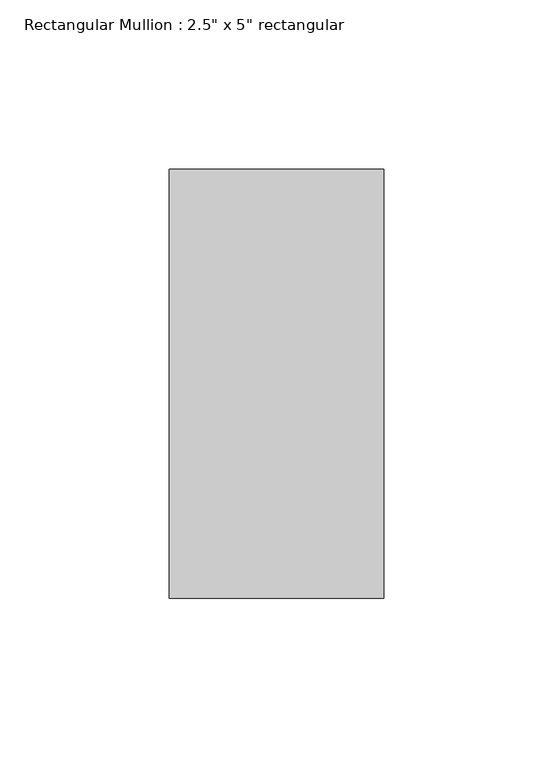
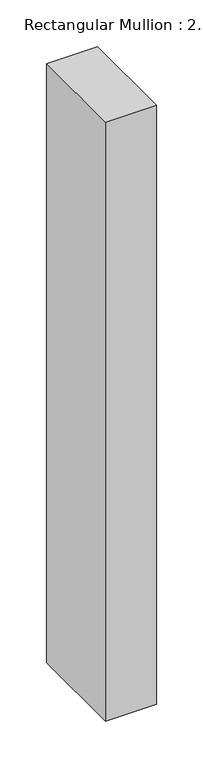
"""IFC4 building model written with IfcOpenShell, lengths in millimetres: member geometry."""

from ifc_helpers import new_model, si_unit, frame, origin, place, context, project, spatial, polyline, outline, extrude, source, transform, mapped, element, save


def member_b527d4e6(model_context):
    return source(origin(), model_context, "Body", "SweptSolid", [
        extrude(outline(polyline([(31.75, 63.5), (31.75, -63.5), (-31.75, -63.5), (-31.75, 63.5), (31.75, 63.5)])), frame((0.0, 0.0, -785.7592685), z_axis=(0.0, 0.0, 1.0), x_axis=(1.0, 0.0, 0.0)), (0.0, 0.0, 1.0), 785.7592685),
    ])


if __name__ == "__main__":
    model = new_model("IFC4")
    model_context = context("Model", 3, world=origin())
    ifc_project = project(units=[si_unit("LENGTHUNIT", "METRE", prefix="MILLI")], contexts=[model_context])
    site = spatial("IfcSite", under=ifc_project)
    building = spatial("IfcBuilding", under=site)
    placement = place(None, origin())
    member_shape = member_b527d4e6(model_context)
    element("IfcMember", 1, ObjectType="Rectangular Mullion : 2.5\" x 5\" rectangular", at=placement, inside=building, context=model_context, shape_type="MappedRepresentation", body=[
        mapped(member_shape, transform((0.0, 0.0, 0.0), x_axis=(1.0, 0.0, 0.0), y_axis=(0.0, 1.0, 0.0), z_axis=(0.0, 0.0, 1.0))),
    ])
    save(model, "model.ifc")
